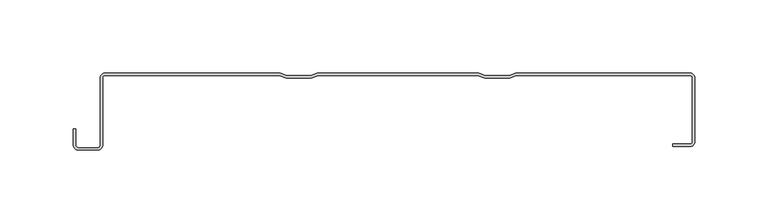
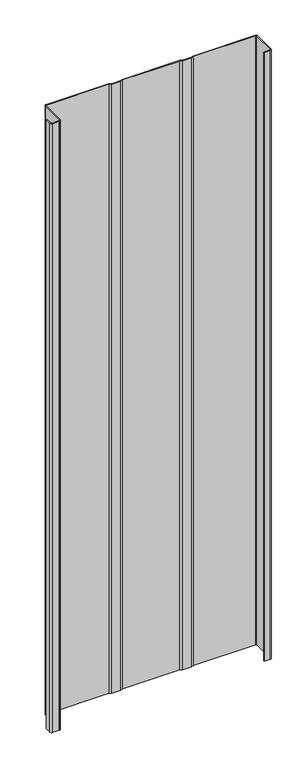
"""IFC4 building model written with IfcOpenShell, lengths in millimetres: plate geometry."""

from ifc_helpers import new_model, si_unit, point, frame_2d, origin, origin_with_axes, place, context, project, spatial, polyline, circle_curve, trimmed, segment, composite_curve, outline, extrude, source, transform, mapped, element, save


def plate_1ba04e45(model_context):
    return source(origin(), model_context, "Body", "SweptSolid", [
        extrude(outline(composite_curve([segment(polyline([(-79.8595763, -1.5980513), (-199.106227, -1.5980513)]), True, "CONTINUOUS"), segment(trimmed(circle_curve(frame_2d((-199.106227, -2.7400216)), 1.1419703), [point((-199.106227, -1.5980513))], [point((-200.2481973, -2.7400216))], True, "CARTESIAN"), True, "CONTINUOUS"), segment(polyline([(-200.2481973, -2.7400216), (-200.2481973, -48.8784494)]), True, "CONTINUOUS"), segment(trimmed(circle_curve(frame_2d((-203.8791678, -48.8784494)), 3.6309705), [point((-200.2481973, -48.8784494))], [point((-203.8791678, -52.5094199))], False, "CARTESIAN"), True, "CONTINUOUS"), segment(polyline([(-203.8791678, -52.5094199), (-216.60701, -52.5094199)]), True, "CONTINUOUS"), segment(trimmed(circle_curve(frame_2d((-216.60701, -48.8784494)), 3.6309705), [point((-216.60701, -52.5094199))], [point((-220.2379805, -48.8784494))], False, "CARTESIAN"), True, "CONTINUOUS"), segment(polyline([(-220.2379805, -48.8784494), (-220.2379805, -38.1835265), (-218.6399292, -38.1835265), (-218.6399292, -48.8784494)]), True, "CONTINUOUS"), segment(trimmed(circle_curve(frame_2d((-216.60701, -48.8784494)), 2.0329192), [point((-218.6399292, -48.8784494))], [point((-216.60701, -50.9113686))], True, "CARTESIAN"), True, "CONTINUOUS"), segment(polyline([(-216.60701, -50.9113686), (-203.8791678, -50.9113686)]), True, "CONTINUOUS"), segment(trimmed(circle_curve(frame_2d((-203.8791678, -48.8784494)), 2.0329192), [point((-203.8791678, -50.9113686))], [point((-201.8462486, -48.8784494))], True, "CARTESIAN"), True, "CONTINUOUS"), segment(polyline([(-201.8462486, -48.8784494), (-201.8462486, -2.7400216)]), True, "CONTINUOUS"), segment(trimmed(circle_curve(frame_2d((-199.106227, -2.7400216)), 2.7400216), [point((-201.8462486, -2.7400216))], [point((-199.106227, 0.0))], False, "CARTESIAN"), True, "CONTINUOUS"), segment(polyline([(-199.106227, 0.0), (-79.3138284, 0.0), (-74.8914438, -1.7689538), (-58.4984464, -1.7689538), (-54.0760619, 0.0), (55.8374751, 0.0), (60.2598596, -1.7689538), (76.652857, -1.7689538), (81.0752415, 0.0), (200.2262298, 0.0)]), True, "CONTINUOUS"), segment(trimmed(circle_curve(frame_2d((200.2595098, -2.7402881)), 2.7404902), [point((200.2262298, 0.0))], [point((203.0, -2.7402881))], False, "CARTESIAN"), True, "CONTINUOUS"), segment(polyline([(203.0, -2.7402881), (203.0, -47.2180172)]), True, "CONTINUOUS"), segment(trimmed(circle_curve(frame_2d((200.2262298, -47.2180172)), 2.7737702), [point((203.0, -47.2180172))], [point((200.2262298, -49.9917874))], False, "CARTESIAN"), True, "CONTINUOUS"), segment(polyline([(200.2262298, -49.9917874), (188.1469081, -49.9917874), (188.1469081, -48.374053), (200.2262298, -48.374053)]), True, "CONTINUOUS"), segment(trimmed(circle_curve(frame_2d((200.2262298, -47.2180172)), 1.1560358), [point((200.2262298, -48.374053))], [point((201.3822657, -47.2180172))], True, "CARTESIAN"), True, "CONTINUOUS"), segment(polyline([(201.3822657, -47.2180172), (201.3822657, -2.7540871)]), True, "CONTINUOUS"), segment(trimmed(circle_curve(frame_2d((200.2262298, -2.7540871)), 1.1560358), [point((201.3822657, -2.7540871))], [point((200.2262298, -1.5980513))], True, "CARTESIAN"), True, "CONTINUOUS"), segment(polyline([(200.2262298, -1.5980513), (81.6209895, -1.5980513), (76.9776355, -3.4553929), (59.9350811, -3.4553929), (55.2917271, -1.5980513), (-53.5303139, -1.5980513), (-58.1736679, -3.4553929), (-75.2162223, -3.4553929), (-79.8595763, -1.5980513)]), True, "CONTINUOUS")], self_intersect=False)), origin_with_axes(), (0.0, 0.0, 1.0), 1228.3559792),
    ])


if __name__ == "__main__":
    model = new_model("IFC4")
    model_context = context("Model", 3, world=origin())
    ifc_project = project(units=[si_unit("LENGTHUNIT", "METRE", prefix="MILLI")], contexts=[model_context])
    site = spatial("IfcSite", under=ifc_project)
    building = spatial("IfcBuilding", under=site)
    placement = place(None, origin())
    plate_shape = plate_1ba04e45(model_context)
    element("IfcPlate", 1, at=placement, inside=building, context=model_context, shape_type="MappedRepresentation", body=[
        mapped(plate_shape, transform((0.0, 0.0, 0.0), x_axis=(1.0, 0.0, 0.0), y_axis=(0.0, 1.0, 0.0), z_axis=(0.0, 0.0, 1.0))),
    ])
    save(model, "model.ifc")
